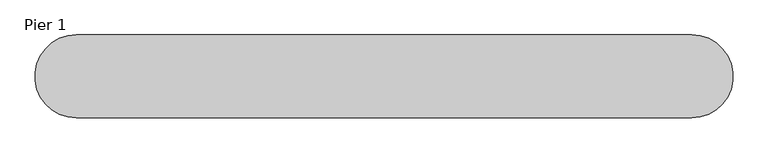
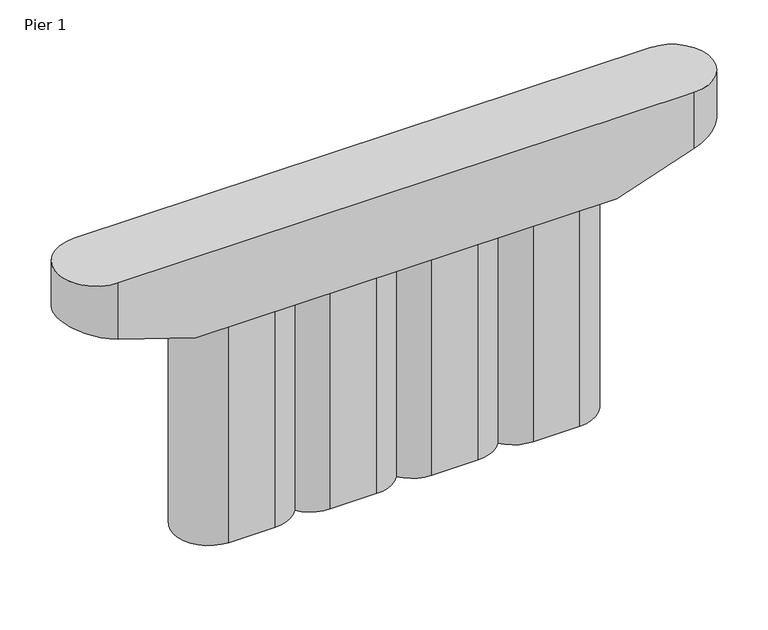
"""IFC4 building model written with IfcOpenShell, lengths in millimetres: column geometry, Pier 1."""

from ifc_helpers import new_model, si_unit, frame, origin, place, context, project, spatial, circle_curve, ellipse_curve, source, transform, mapped, element, save
from ifc_brep_helpers import plane_surface, cylinder_surface, advanced_brep


def pier_1_0461df47(model_context):
    return source(origin(), model_context, "Body", "AdvancedBrep", [
        advanced_brep(
        [(7350.0, 1000.0, 8153.0), (7350.0, -1000.0, 8153.0), (7350.0, -1000.0, 6619.3333333), (7350.0, 1000.0, 6619.3333333), (5351.0, 1000.0, 5953.0), (-5501.0, 1000.0, 5953.0), (-7500.0, 1000.0, 6619.3333333), (-7500.0, 1000.0, 8153.0), (5351.0, -1000.0, 5953.0), (-7500.0, -1000.0, 8153.0), (-7500.0, -1000.0, 6619.3333333), (-5501.0, -1000.0, 5953.0), (633.3333333, 900.0, 5953.0), (-75.0, 555.2151735, 5953.0), (-783.3333333, 900.0, 5953.0), (-1983.3333333, 900.0, 5953.0), (-2691.6666667, 555.2151735, 5953.0), (-3400.0, 900.0, 5953.0), (-4600.0, 900.0, 5953.0), (-4599.9999921, -900.0, 5953.0), (-3400.0000338, -900.0, 5953.0), (-2691.6666667, -555.2151735, 5953.0), (-1983.3333254, -900.0, 5953.0), (-783.3333671, -900.0, 5953.0), (-75.0, -555.2151735, 5953.0), (633.3333413, -900.0, 5953.0), (1833.3332996, -900.0, 5953.0), (2541.6666667, -555.2151735, 5953.0), (3250.0000079, -900.0, 5953.0), (4449.9999662, -900.0, 5953.0), (4450.0, 900.0, 5953.0), (3250.0, 900.0, 5953.0), (2541.6666667, 555.2151735, 5953.0), (1833.3333333, 900.0, 5953.0), (633.3333333, 900.0, 0.0), (-75.0, 555.2151735, 0.0), (1833.3333333, 900.0, 0.0), (2541.6666667, 555.2151735, 0.0), (3250.0, 900.0, 0.0), (4450.0, 900.0, 0.0), (-783.3333671, -900.0, 0.0), (-75.0, -555.2151735, 0.0), (-1983.3333254, -900.0, 0.0), (-2691.6666667, -555.2151735, 0.0), (-3400.0000338, -900.0, 0.0), (-4599.9999921, -900.0, 0.0), (-4600.0, 900.0, 0.0), (-3400.0, 900.0, 0.0), (-2691.6666667, 555.2151735, 0.0), (-1983.3333333, 900.0, 0.0), (4449.9999662, -900.0, 0.0), (3250.0000079, -900.0, 0.0), (2541.6666667, -555.2151735, 0.0), (1833.3332996, -900.0, 0.0), (633.3333413, -900.0, 0.0), (-783.3333333, 900.0, 0.0)],
        [
            (0, 1, circle_curve(frame((7350.0, 0.0, 8153.0), z_axis=(0.0, 0.0, -1.0), x_axis=(1.0, 0.0, 0.0)), 1000.0)),
            (1, 2),
            (2, 3, ellipse_curve(frame((7350.0, 0.0, 6619.3333333), z_axis=(-0.31622776601683794, 0.0, 0.9486832980505139), x_axis=(0.9486832980505139, 0.0, 0.3162277660168375)), 1054.0925534, 1000.0)),
            (3, 0),
            (3, 4),
            (4, 5),
            (5, 6),
            (6, 7),
            (7, 0),
            (2, 8),
            (8, 4),
            (9, 7, circle_curve(frame((-7500.0, 0.0, 8153.0), z_axis=(0.0, 0.0, -1.0), x_axis=(0.0, 1.0, 0.0)), 1000.0)),
            (6, 10, ellipse_curve(frame((-7500.0, 0.0, 6619.3333333), z_axis=(0.31622776601683794, 0.0, 0.9486832980505139), x_axis=(-0.9486832980505139, 0.0, 0.3162277660168375)), 1054.0925534, 1000.0)),
            (10, 9),
            (1, 9),
            (10, 11),
            (11, 8),
            (5, 11),
            (12, 13, circle_curve(frame((633.3333333, 0.0, 5953.0), z_axis=(0.0, 0.0, 1.0), x_axis=(0.0, -1.0, 0.0)), 900.0)),
            (13, 14, circle_curve(frame((-783.3333333, 0.0, 5953.0), z_axis=(0.0, 0.0, 1.0), x_axis=(3.7530002651288226e-08, 0.9999999999999992, 0.0)), 900.0)),
            (14, 15),
            (15, 16, circle_curve(frame((-1983.3333333, 0.0, 5953.0), z_axis=(0.0, 0.0, 1.0), x_axis=(0.0, -1.0, 0.0)), 900.0)),
            (16, 17, circle_curve(frame((-3400.0, 0.0, 5953.0), z_axis=(0.0, 0.0, 1.0), x_axis=(3.7530002651288226e-08, 0.9999999999999992, 0.0)), 900.0)),
            (17, 18),
            (18, 19, circle_curve(frame((-4600.0, 0.0, 5953.0), z_axis=(0.0, 0.0, 1.0), x_axis=(0.0, -1.0, 0.0)), 900.0)),
            (19, 20),
            (20, 21, circle_curve(frame((-3400.0, 0.0, 5953.0), z_axis=(0.0, 0.0, 1.0), x_axis=(3.7530002651288226e-08, 0.9999999999999992, 0.0)), 900.0)),
            (21, 22, circle_curve(frame((-1983.3333333, 0.0, 5953.0), z_axis=(0.0, 0.0, 1.0), x_axis=(0.0, -1.0, 0.0)), 900.0)),
            (22, 23),
            (23, 24, circle_curve(frame((-783.3333333, 0.0, 5953.0), z_axis=(0.0, 0.0, 1.0), x_axis=(3.7530002651288226e-08, 0.9999999999999992, 0.0)), 900.0)),
            (24, 25, circle_curve(frame((633.3333333, 0.0, 5953.0), z_axis=(0.0, 0.0, 1.0), x_axis=(0.0, -1.0, 0.0)), 900.0)),
            (25, 26),
            (26, 27, circle_curve(frame((1833.3333333, 0.0, 5953.0), z_axis=(0.0, 0.0, 1.0), x_axis=(3.7530002651288226e-08, 0.9999999999999992, 0.0)), 900.0)),
            (27, 28, circle_curve(frame((3250.0, 0.0, 5953.0), z_axis=(0.0, 0.0, 1.0), x_axis=(0.0, -1.0, 0.0)), 900.0)),
            (28, 29),
            (29, 30, circle_curve(frame((4450.0, 0.0, 5953.0), z_axis=(0.0, 0.0, 1.0), x_axis=(3.7530002651288226e-08, 0.9999999999999992, 0.0)), 900.0)),
            (30, 31),
            (31, 32, circle_curve(frame((3250.0, 0.0, 5953.0), z_axis=(0.0, 0.0, 1.0), x_axis=(0.0, -1.0, 0.0)), 900.0)),
            (32, 33, circle_curve(frame((1833.3333333, 0.0, 5953.0), z_axis=(0.0, 0.0, 1.0), x_axis=(3.7530002651288226e-08, 0.9999999999999992, 0.0)), 900.0)),
            (33, 12),
            (12, 34),
            (34, 35, circle_curve(frame((633.3333333, 0.0, 0.0), z_axis=(0.0, 0.0, 1.0), x_axis=(0.0, -1.0, 0.0)), 900.0)),
            (35, 13),
            (33, 36),
            (36, 34),
            (32, 37),
            (37, 36, circle_curve(frame((1833.3333333, 0.0, 0.0), z_axis=(0.0, 0.0, 1.0), x_axis=(3.7530002651288226e-08, 0.9999999999999992, 0.0)), 900.0)),
            (31, 38),
            (38, 37, circle_curve(frame((3250.0, 0.0, 0.0), z_axis=(0.0, 0.0, 1.0), x_axis=(0.0, -1.0, 0.0)), 900.0)),
            (30, 39),
            (39, 38),
            (23, 40),
            (40, 41, circle_curve(frame((-783.3333333, 0.0, 0.0), z_axis=(0.0, 0.0, 1.0), x_axis=(3.7530002651288226e-08, 0.9999999999999992, 0.0)), 900.0)),
            (41, 24),
            (22, 42),
            (42, 40),
            (21, 43),
            (43, 42, circle_curve(frame((-1983.3333333, 0.0, 0.0), z_axis=(0.0, 0.0, 1.0), x_axis=(0.0, -1.0, 0.0)), 900.0)),
            (20, 44),
            (44, 43, circle_curve(frame((-3400.0, 0.0, 0.0), z_axis=(0.0, 0.0, 1.0), x_axis=(3.7530002651288226e-08, 0.9999999999999992, 0.0)), 900.0)),
            (19, 45),
            (45, 44),
            (18, 46),
            (46, 45, circle_curve(frame((-4600.0, 0.0, 0.0), z_axis=(0.0, 0.0, 1.0), x_axis=(0.0, -1.0, 0.0)), 900.0)),
            (17, 47),
            (47, 46),
            (16, 48),
            (48, 47, circle_curve(frame((-3400.0, 0.0, 0.0), z_axis=(0.0, 0.0, 1.0), x_axis=(3.7530002651288226e-08, 0.9999999999999992, 0.0)), 900.0)),
            (15, 49),
            (49, 48, circle_curve(frame((-1983.3333333, 0.0, 0.0), z_axis=(0.0, 0.0, 1.0), x_axis=(0.0, -1.0, 0.0)), 900.0)),
            (29, 50),
            (50, 39, circle_curve(frame((4450.0, 0.0, 0.0), z_axis=(0.0, 0.0, 1.0), x_axis=(3.7530002651288226e-08, 0.9999999999999992, 0.0)), 900.0)),
            (28, 51),
            (51, 50),
            (27, 52),
            (52, 51, circle_curve(frame((3250.0, 0.0, 0.0), z_axis=(0.0, 0.0, 1.0), x_axis=(0.0, -1.0, 0.0)), 900.0)),
            (26, 53),
            (53, 52, circle_curve(frame((1833.3333333, 0.0, 0.0), z_axis=(0.0, 0.0, 1.0), x_axis=(3.7530002651288226e-08, 0.9999999999999992, 0.0)), 900.0)),
            (25, 54),
            (54, 53),
            (41, 54, circle_curve(frame((633.3333333, 0.0, 0.0), z_axis=(0.0, 0.0, 1.0), x_axis=(0.0, -1.0, 0.0)), 900.0)),
            (35, 55, circle_curve(frame((-783.3333333, 0.0, 0.0), z_axis=(0.0, 0.0, 1.0), x_axis=(3.7530002651288226e-08, 0.9999999999999992, 0.0)), 900.0)),
            (55, 14),
            (55, 49),
        ],
        [
            cylinder_surface(frame((7350.0, 0.0, 0.0), z_axis=(0.0, 0.0, 1.0), x_axis=(1.0, 0.0, 0.0)), 1000.0),
            plane_surface(frame((0.0, 1000.0, 5953.0), z_axis=(0.0, 1.0, 0.0), x_axis=(0.0, 0.0, 1.0))),
            plane_surface(frame((5351.0, -1000.0, 5953.0), z_axis=(0.31622776601683794, 0.0, -0.9486832980505139), x_axis=(-0.9486832980505139, 0.0, -0.31622776601683794))),
            cylinder_surface(frame((-7500.0, 0.0, 0.0), z_axis=(0.0, 0.0, 1.0), x_axis=(0.0, 1.0, 0.0)), 1000.0),
            plane_surface(frame((0.0, -1000.0, 8153.0), z_axis=(0.0, -1.0, 0.0), x_axis=(0.0, 0.0, -1.0))),
            plane_surface(frame((-5501.0, 1000.0, 5953.0), z_axis=(-0.31622776601683794, 0.0, -0.9486832980505139), x_axis=(-0.9486832980505139, 0.0, 0.31622776601683794))),
            plane_surface(frame((0.0, -1000.0, 5953.0), z_axis=(0.0, 0.0, -1.0), x_axis=(-1.0, 0.0, 0.0))),
            plane_surface(frame((0.0, 1000.0, 8153.0), z_axis=(0.0, 0.0, 1.0), x_axis=(1.0, 0.0, 0.0))),
            cylinder_surface(frame((633.3333333, 0.0, 0.0), z_axis=(0.0, 0.0, 1.0), x_axis=(0.0, -1.0, 0.0)), 900.0),
            plane_surface(frame((1833.3333333, 900.0, 0.0), z_axis=(0.0, 1.0, 0.0), x_axis=(-1.0, 0.0, 0.0))),
            cylinder_surface(frame((1833.3333333, 0.0, 0.0), z_axis=(0.0, 0.0, 0.9999999999999999), x_axis=(3.7530002651288226e-08, 0.9999999999999992, 0.0)), 900.0),
            cylinder_surface(frame((3250.0, 0.0, 0.0), z_axis=(0.0, 0.0, 1.0), x_axis=(0.0, -1.0, 0.0)), 900.0),
            plane_surface(frame((4450.0, 900.0, 0.0), z_axis=(0.0, 1.0, 0.0), x_axis=(-1.0, 0.0, 0.0))),
            cylinder_surface(frame((-783.3333333, 0.0, 0.0), z_axis=(0.0, 0.0, 0.9999999999999999), x_axis=(3.7530002651288226e-08, 0.9999999999999992, 0.0)), 900.0),
            plane_surface(frame((-1983.3333254, -900.0, 0.0), z_axis=(0.0, -1.0, 0.0), x_axis=(1.0, 0.0, 0.0))),
            cylinder_surface(frame((-1983.3333333, 0.0, 0.0), z_axis=(0.0, 0.0, 1.0), x_axis=(0.0, -1.0, 0.0)), 900.0),
            cylinder_surface(frame((-3400.0, 0.0, 0.0), z_axis=(0.0, 0.0, 0.9999999999999999), x_axis=(3.7530002651288226e-08, 0.9999999999999992, 0.0)), 900.0),
            plane_surface(frame((-4599.9999921, -900.0, 0.0), z_axis=(0.0, -1.0, 0.0), x_axis=(1.0, 0.0, 0.0))),
            cylinder_surface(frame((-4600.0, 0.0, 0.0), z_axis=(0.0, 0.0, 1.0), x_axis=(0.0, -1.0, 0.0)), 900.0),
            plane_surface(frame((-3400.0, 900.0, 0.0), z_axis=(0.0, 1.0, 0.0), x_axis=(-1.0, 0.0, 0.0))),
            cylinder_surface(frame((4450.0, 0.0, 0.0), z_axis=(0.0, 0.0, 0.9999999999999999), x_axis=(3.7530002651288226e-08, 0.9999999999999992, 0.0)), 900.0),
            plane_surface(frame((3250.0000079, -900.0, 0.0), z_axis=(0.0, -1.0, 0.0), x_axis=(1.0, 0.0, 0.0))),
            plane_surface(frame((633.3333413, -900.0, 0.0), z_axis=(0.0, -1.0, 0.0), x_axis=(1.0, 0.0, 0.0))),
            plane_surface(frame((-783.3333333, 900.0, 0.0), z_axis=(0.0, 1.0, 0.0), x_axis=(-1.0, 0.0, 0.0))),
            plane_surface(frame((-4000.0, 2.2e-06, 0.0), z_axis=(0.0, 0.0, -1.0), x_axis=(1.0, 0.0, 0.0))),
        ],
        [
            (0, [[1, 2, 3, 4]]),
            (1, [[-4, 5, 6, 7, 8, 9]]),
            (2, [[-3, 10, 11, -5]]),
            (3, [[12, -8, 13, 14]]),
            (4, [[-2, 15, -14, 16, 17, -10]]),
            (5, [[-13, -7, 18, -16]]),
            (6, [[-6, -11, -17, -18], [19, 20, 21, 22, 23, 24, 25, 26, 27, 28, 29, 30, 31, 32, 33, 34, 35, 36, 37, 38, 39, 40]]),
            (7, [[-1, -9, -12, -15]]),
            (8, [[-19, 41, 42, 43]]),
            (9, [[-40, 44, 45, -41]]),
            (10, [[-39, 46, 47, -44]]),
            (11, [[-38, 48, 49, -46]]),
            (12, [[-37, 50, 51, -48]]),
            (13, [[-30, 52, 53, 54]]),
            (14, [[-29, 55, 56, -52]]),
            (15, [[-28, 57, 58, -55]]),
            (16, [[-27, 59, 60, -57]]),
            (17, [[-26, 61, 62, -59]]),
            (18, [[-25, 63, 64, -61]]),
            (19, [[-24, 65, 66, -63]]),
            (16, [[-23, 67, 68, -65]]),
            (15, [[-22, 69, 70, -67]]),
            (20, [[-36, 71, 72, -50]]),
            (21, [[-35, 73, 74, -71]]),
            (11, [[-34, 75, 76, -73]]),
            (10, [[-33, 77, 78, -75]]),
            (22, [[-32, 79, 80, -77]]),
            (8, [[-31, -54, 81, -79]]),
            (13, [[-20, -43, 82, 83]]),
            (23, [[-21, -83, 84, -69]]),
            (24, [[-60, -62, -64, -66, -68, -70, -84, -82, -42, -45, -47, -49, -51, -72, -74, -76, -78, -80, -81, -53, -56, -58]]),
        ],
    ),
    ])


if __name__ == "__main__":
    model = new_model("IFC4")
    model_context = context("Model", 3, world=origin())
    ifc_project = project(units=[si_unit("LENGTHUNIT", "METRE", prefix="MILLI")], contexts=[model_context])
    site = spatial("IfcSite", under=ifc_project)
    building = spatial("IfcBuilding", under=site)
    placement = place(None, origin())
    pier_1_shape = pier_1_0461df47(model_context)
    element("IfcColumn", 1, ObjectType="Pier 1", at=placement, inside=building, context=model_context, shape_type="MappedRepresentation", body=[
        mapped(pier_1_shape, transform((0.0, 0.0, 0.0), x_axis=(1.0, 0.0, 0.0), y_axis=(0.0, 1.0, 0.0), z_axis=(0.0, 0.0, 1.0))),
    ])
    save(model, "model.ifc")
